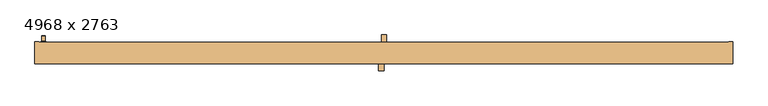
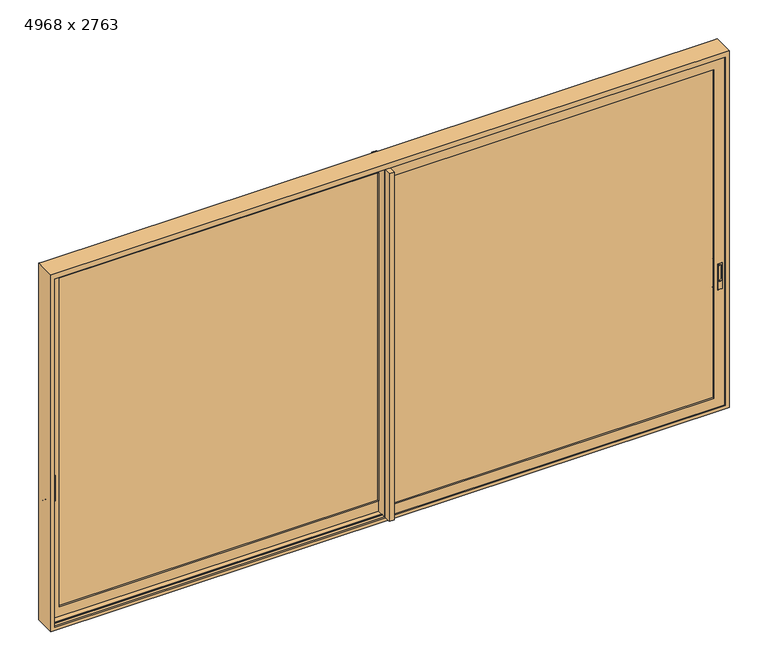
"""IFC4 building model written with IfcOpenShell, lengths in millimetres: door geometry, 4968 x 2763."""

from ifc_helpers import new_model, si_unit, point, frame, frame_2d, origin, place, context, project, spatial, polyline, circle_curve, trimmed, segment, composite_curve, outline, extrude, faceted_brep, source, transform, mapped, element, save
from ifc_brep_helpers import plane_surface, cylinder_surface, revolved_surface, advanced_brep


def door_4968_x_2763_8954526d(model_context):
    return source(origin(), model_context, "Body", "SolidModel", [
        advanced_brep(
        [(-2414.8849701, 59.25, 1100.7), (-2414.8849701, 59.25, 910.0621417), (-2409.8849701, 59.25, 905.0621417), (-2384.8849701, 59.25, 905.0621417), (-2379.8849701, 59.25, 910.0621417), (-2379.8849701, 59.25, 1100.7), (-2384.8849701, 59.25, 1105.7), (-2409.8849701, 59.25, 1105.7), (-2397.3849701, 59.25, 970.1681027), (-2410.4797477, 59.25, 983.2628803), (-2410.4797477, 59.25, 1079.3768243), (-2384.2901925, 59.25, 1079.3768243), (-2384.2901925, 59.25, 983.2628803), (-2414.8849701, 60.25, 1100.7), (-2409.8849701, 60.25, 1105.7), (-2384.8849701, 60.25, 1105.7), (-2379.8849701, 60.25, 1100.7), (-2379.8849701, 60.25, 910.0621417), (-2384.8849701, 60.25, 905.0621417), (-2409.8849701, 60.25, 905.0621417), (-2414.8849701, 60.25, 910.0621417), (-2411.4797477, 60.25, 1079.3768243), (-2411.4797477, 60.25, 983.2628803), (-2397.3849701, 60.25, 969.1681027), (-2383.2901925, 60.25, 983.2628803), (-2383.2901925, 60.25, 1079.3768243), (-2410.4797477, 69.25, 983.2628803), (-2397.3849701, 69.25, 970.1681027), (-2384.2901925, 69.25, 983.2628803), (-2384.2901925, 69.25, 1079.3768243), (-2410.4797477, 69.25, 1079.3768243), (-2411.4797477, 70.25, 1079.3768243), (-2383.2901925, 70.25, 1079.3768243), (-2383.2901925, 70.25, 983.2628803), (-2397.3849701, 70.25, 969.1681027), (-2411.4797477, 70.25, 983.2628803)],
        [
            (0, 1),
            (1, 2, circle_curve(frame((-2409.8849701, 59.25, 910.0621417), z_axis=(0.0, -1.0, 0.0), x_axis=(1.0, 0.0, 0.0)), 5.0)),
            (2, 3),
            (3, 4, circle_curve(frame((-2384.8849701, 59.25, 910.0621417), z_axis=(0.0, -1.0, 0.0), x_axis=(1.0, 0.0, 0.0)), 5.0)),
            (4, 5),
            (5, 6, circle_curve(frame((-2384.8849701, 59.25, 1100.7), z_axis=(0.0, -1.0, 0.0), x_axis=(1.0, 0.0, 0.0)), 5.0)),
            (6, 7),
            (7, 0, circle_curve(frame((-2409.8849701, 59.25, 1100.7), z_axis=(0.0, -1.0, 0.0), x_axis=(1.0, 0.0, 0.0)), 5.0)),
            (8, 9, circle_curve(frame((-2397.3849701, 59.25, 983.2628803), z_axis=(0.0, 1.0, 0.0), x_axis=(1.0, 0.0, 0.0)), 13.0947776)),
            (9, 10),
            (10, 11, circle_curve(frame((-2397.3849701, 59.25, 1079.3768243), z_axis=(0.0, 1.0, 0.0), x_axis=(1.0, 0.0, 0.0)), 13.0947776)),
            (11, 12),
            (12, 8, circle_curve(frame((-2397.3849701, 59.25, 983.2628803), z_axis=(0.0, 1.0, 0.0), x_axis=(1.0, 0.0, 0.0)), 13.0947776)),
            (13, 14, circle_curve(frame((-2409.8849701, 60.25, 1100.7), z_axis=(0.0, 1.0, 0.0), x_axis=(1.0, 0.0, 0.0)), 5.0)),
            (14, 15),
            (15, 16, circle_curve(frame((-2384.8849701, 60.25, 1100.7), z_axis=(0.0, 1.0, 0.0), x_axis=(1.0, 0.0, 0.0)), 5.0)),
            (16, 17),
            (17, 18, circle_curve(frame((-2384.8849701, 60.25, 910.0621417), z_axis=(0.0, 1.0, 0.0), x_axis=(1.0, 0.0, 0.0)), 5.0)),
            (18, 19),
            (19, 20, circle_curve(frame((-2409.8849701, 60.25, 910.0621417), z_axis=(0.0, 1.0, 0.0), x_axis=(1.0, 0.0, 0.0)), 5.0)),
            (20, 13),
            (21, 22),
            (22, 23, circle_curve(frame((-2397.3849701, 60.25, 983.2628803), z_axis=(0.0, -1.0, 0.0), x_axis=(1.0, 0.0, 0.0)), 14.0947776)),
            (23, 24, circle_curve(frame((-2397.3849701, 60.25, 983.2628803), z_axis=(0.0, -1.0, 0.0), x_axis=(1.0, 0.0, 0.0)), 14.0947776)),
            (24, 25),
            (25, 21, circle_curve(frame((-2397.3849701, 60.25, 1079.3768243), z_axis=(0.0, -1.0, 0.0), x_axis=(1.0, 0.0, 0.0)), 14.0947776)),
            (0, 13),
            (20, 1),
            (19, 2),
            (18, 3),
            (17, 4),
            (16, 5),
            (15, 6),
            (14, 7),
            (26, 27, circle_curve(frame((-2397.3849701, 69.25, 983.2628803), z_axis=(0.0, -1.0, 0.0), x_axis=(1.0, 0.0, 0.0)), 13.0947776)),
            (27, 28, circle_curve(frame((-2397.3849701, 69.25, 983.2628803), z_axis=(0.0, -1.0, 0.0), x_axis=(1.0, 0.0, 0.0)), 13.0947776)),
            (28, 29),
            (29, 30, circle_curve(frame((-2397.3849701, 69.25, 1079.3768243), z_axis=(0.0, -1.0, 0.0), x_axis=(1.0, 0.0, 0.0)), 13.0947776)),
            (30, 26),
            (26, 9),
            (8, 27),
            (12, 28),
            (11, 29),
            (10, 30),
            (31, 32, circle_curve(frame((-2397.3849701, 70.25, 1079.3768243), z_axis=(0.0, 1.0, 0.0), x_axis=(1.0, 0.0, 0.0)), 14.0947776)),
            (32, 33),
            (33, 34, circle_curve(frame((-2397.3849701, 70.25, 983.2628803), z_axis=(0.0, 1.0, 0.0), x_axis=(1.0, 0.0, 0.0)), 14.0947776)),
            (34, 35, circle_curve(frame((-2397.3849701, 70.25, 983.2628803), z_axis=(0.0, 1.0, 0.0), x_axis=(1.0, 0.0, 0.0)), 14.0947776)),
            (35, 31),
            (35, 22),
            (21, 31),
            (34, 23),
            (33, 24),
            (32, 25),
        ],
        [
            plane_surface(frame((-2414.8849701, 59.25, 1100.7), z_axis=(0.0, -1.0, 0.0), x_axis=(0.0, 0.0, -1.0))),
            plane_surface(frame((-2414.8849701, 60.25, 1100.7), z_axis=(0.0, 1.0, 0.0), x_axis=(0.0, 0.0, 1.0))),
            plane_surface(frame((-2414.8849701, 59.25, 1100.7), z_axis=(-1.0, 0.0, 0.0), x_axis=(0.0, 1.0, 0.0))),
            cylinder_surface(frame((-2409.8849701, 60.25, 910.0621417), z_axis=(0.0, -1.0, 0.0), x_axis=(1.0, 0.0, 0.0)), 5.0),
            plane_surface(frame((-2409.8849701, 59.25, 905.0621417), z_axis=(0.0, 0.0, -1.0), x_axis=(0.0, 1.0, 0.0))),
            cylinder_surface(frame((-2384.8849701, 60.25, 910.0621417), z_axis=(0.0, -1.0, 0.0), x_axis=(1.0, 0.0, 0.0)), 5.0),
            plane_surface(frame((-2379.8849701, 59.25, 910.0621417), z_axis=(1.0, 0.0, 0.0), x_axis=(0.0, 1.0, 0.0))),
            cylinder_surface(frame((-2384.8849701, 60.25, 1100.7), z_axis=(0.0, -1.0, 0.0), x_axis=(1.0, 0.0, 0.0)), 5.0),
            plane_surface(frame((-2384.8849701, 59.25, 1105.7), z_axis=(0.0, 0.0, 1.0), x_axis=(0.0, 1.0, 0.0))),
            cylinder_surface(frame((-2409.8849701, 60.25, 1100.7), z_axis=(0.0, -1.0, 0.0), x_axis=(1.0, 0.0, 0.0)), 5.0),
            plane_surface(frame((-2384.2901925, 69.25, 983.2628803), z_axis=(0.0, -1.0, 0.0), x_axis=(0.0, 0.0, -1.0))),
            revolved_surface(polyline([(-2384.2901925, 59.25, 983.2628803), (-2384.2901925, 69.25, 983.2628803)]), (-2397.3849701, 69.25, 983.2628803), (0.0, -1.0, 0.0)),
            plane_surface(frame((-2384.2901925, 55.2693201, 983.2628803), z_axis=(-1.0, 0.0, 0.0), x_axis=(0.0, 1.0, 0.0))),
            revolved_surface(polyline([(-2384.2901925, 59.25, 1079.3768243), (-2384.2901925, 69.25, 1079.3768243)]), (-2397.3849701, 69.25, 1079.3768243), (0.0, -1.0, 0.0)),
            plane_surface(frame((-2410.4797477, 55.2693201, 1079.3768243), z_axis=(1.0, 0.0, 0.0), x_axis=(0.0, 1.0, 0.0))),
            plane_surface(frame((-2411.4797477, 70.25, 1079.3768243), z_axis=(0.0, 1.0, 0.0), x_axis=(0.0, 0.0, 1.0))),
            plane_surface(frame((-2411.4797477, 59.25, 1079.3768243), z_axis=(-1.0, 0.0, 0.0), x_axis=(0.0, 1.0, 0.0))),
            cylinder_surface(frame((-2397.3849701, 70.25, 983.2628803), z_axis=(0.0, -1.0, 0.0), x_axis=(1.0, 0.0, 0.0)), 14.0947776),
            plane_surface(frame((-2383.2901925, 59.25, 983.2628803), z_axis=(1.0, 0.0, 0.0), x_axis=(0.0, 1.0, 0.0))),
            cylinder_surface(frame((-2397.3849701, 70.25, 1079.3768243), z_axis=(0.0, -1.0, 0.0), x_axis=(1.0, 0.0, 0.0)), 14.0947776),
        ],
        [
            (0, [[1, 2, 3, 4, 5, 6, 7, 8], [9, 10, 11, 12, 13]]),
            (1, [[14, 15, 16, 17, 18, 19, 20, 21], [22, 23, 24, 25, 26]]),
            (2, [[-1, 27, -21, 28]]),
            (3, [[-2, -28, -20, 29]]),
            (4, [[-3, -29, -19, 30]]),
            (5, [[-4, -30, -18, 31]]),
            (6, [[-5, -31, -17, 32]]),
            (7, [[-6, -32, -16, 33]]),
            (8, [[-7, -33, -15, 34]]),
            (9, [[-8, -34, -14, -27]]),
            (10, [[35, 36, 37, 38, 39]]),
            (11, [[-35, 40, -9, 41]]),
            (11, [[-36, -41, -13, 42]]),
            (12, [[-37, -42, -12, 43]]),
            (13, [[-38, -43, -11, 44]]),
            (14, [[-39, -44, -10, -40]]),
            (15, [[45, 46, 47, 48, 49]]),
            (16, [[-49, 50, -22, 51]]),
            (17, [[-48, 52, -23, -50]]),
            (17, [[-47, 53, -24, -52]]),
            (18, [[-46, 54, -25, -53]]),
            (19, [[-45, -51, -26, -54]]),
        ],
    ),
        advanced_brep(
        [(2428.0125, -19.25, 1100.7), (2428.0125, -19.25, 910.0621417), (2433.0125, -19.25, 905.0621417), (2458.0125, -19.25, 905.0621417), (2463.0125, -19.25, 910.0621417), (2463.0125, -19.25, 1100.7), (2458.0125, -19.25, 1105.7), (2433.0125, -19.25, 1105.7), (2445.5125, -19.25, 970.1681027), (2432.4177224, -19.25, 983.2628803), (2432.4177224, -19.25, 1079.3768243), (2458.6072776, -19.25, 1079.3768243), (2458.6072776, -19.25, 983.2628803), (2428.0125, -18.25, 1100.7), (2433.0125, -18.25, 1105.7), (2458.0125, -18.25, 1105.7), (2463.0125, -18.25, 1100.7), (2463.0125, -18.25, 910.0621417), (2458.0125, -18.25, 905.0621417), (2433.0125, -18.25, 905.0621417), (2428.0125, -18.25, 910.0621417), (2431.4177224, -18.25, 1079.3768243), (2431.4177224, -18.25, 983.2628803), (2445.5125, -18.25, 969.1681027), (2459.6072776, -18.25, 983.2628803), (2459.6072776, -18.25, 1079.3768243), (2432.4177224, -9.25, 983.2628803), (2445.5125, -9.25, 970.1681027), (2458.6072776, -9.25, 983.2628803), (2458.6072776, -9.25, 1079.3768243), (2432.4177224, -9.25, 1079.3768243), (2431.4177224, -8.25, 1079.3768243), (2459.6072776, -8.25, 1079.3768243), (2459.6072776, -8.25, 983.2628803), (2445.5125, -8.25, 969.1681027), (2431.4177224, -8.25, 983.2628803)],
        [
            (0, 1),
            (1, 2, circle_curve(frame((2433.0125, -19.25, 910.0621417), z_axis=(0.0, -1.0, 0.0), x_axis=(1.0, 0.0, 0.0)), 5.0)),
            (2, 3),
            (3, 4, circle_curve(frame((2458.0125, -19.25, 910.0621417), z_axis=(0.0, -1.0, 0.0), x_axis=(1.0, 0.0, 0.0)), 5.0)),
            (4, 5),
            (5, 6, circle_curve(frame((2458.0125, -19.25, 1100.7), z_axis=(0.0, -1.0, 0.0), x_axis=(1.0, 0.0, 0.0)), 5.0)),
            (6, 7),
            (7, 0, circle_curve(frame((2433.0125, -19.25, 1100.7), z_axis=(0.0, -1.0, 0.0), x_axis=(1.0, 0.0, 0.0)), 5.0)),
            (8, 9, circle_curve(frame((2445.5125, -19.25, 983.2628803), z_axis=(0.0, 1.0, 0.0), x_axis=(1.0, 0.0, 0.0)), 13.0947776)),
            (9, 10),
            (10, 11, circle_curve(frame((2445.5125, -19.25, 1079.3768243), z_axis=(0.0, 1.0, 0.0), x_axis=(1.0, 0.0, 0.0)), 13.0947776)),
            (11, 12),
            (12, 8, circle_curve(frame((2445.5125, -19.25, 983.2628803), z_axis=(0.0, 1.0, 0.0), x_axis=(1.0, 0.0, 0.0)), 13.0947776)),
            (13, 14, circle_curve(frame((2433.0125, -18.25, 1100.7), z_axis=(0.0, 1.0, 0.0), x_axis=(1.0, 0.0, 0.0)), 5.0)),
            (14, 15),
            (15, 16, circle_curve(frame((2458.0125, -18.25, 1100.7), z_axis=(0.0, 1.0, 0.0), x_axis=(1.0, 0.0, 0.0)), 5.0)),
            (16, 17),
            (17, 18, circle_curve(frame((2458.0125, -18.25, 910.0621417), z_axis=(0.0, 1.0, 0.0), x_axis=(1.0, 0.0, 0.0)), 5.0)),
            (18, 19),
            (19, 20, circle_curve(frame((2433.0125, -18.25, 910.0621417), z_axis=(0.0, 1.0, 0.0), x_axis=(1.0, 0.0, 0.0)), 5.0)),
            (20, 13),
            (21, 22),
            (22, 23, circle_curve(frame((2445.5125, -18.25, 983.2628803), z_axis=(0.0, -1.0, 0.0), x_axis=(1.0, 0.0, 0.0)), 14.0947776)),
            (23, 24, circle_curve(frame((2445.5125, -18.25, 983.2628803), z_axis=(0.0, -1.0, 0.0), x_axis=(1.0, 0.0, 0.0)), 14.0947776)),
            (24, 25),
            (25, 21, circle_curve(frame((2445.5125, -18.25, 1079.3768243), z_axis=(0.0, -1.0, 0.0), x_axis=(1.0, 0.0, 0.0)), 14.0947776)),
            (0, 13),
            (20, 1),
            (19, 2),
            (18, 3),
            (17, 4),
            (16, 5),
            (15, 6),
            (14, 7),
            (26, 27, circle_curve(frame((2445.5125, -9.25, 983.2628803), z_axis=(0.0, -1.0, 0.0), x_axis=(1.0, 0.0, 0.0)), 13.0947776)),
            (27, 28, circle_curve(frame((2445.5125, -9.25, 983.2628803), z_axis=(0.0, -1.0, 0.0), x_axis=(1.0, 0.0, 0.0)), 13.0947776)),
            (28, 29),
            (29, 30, circle_curve(frame((2445.5125, -9.25, 1079.3768243), z_axis=(0.0, -1.0, 0.0), x_axis=(1.0, 0.0, 0.0)), 13.0947776)),
            (30, 26),
            (26, 9),
            (8, 27),
            (12, 28),
            (11, 29),
            (10, 30),
            (31, 32, circle_curve(frame((2445.5125, -8.25, 1079.3768243), z_axis=(0.0, 1.0, 0.0), x_axis=(1.0, 0.0, 0.0)), 14.0947776)),
            (32, 33),
            (33, 34, circle_curve(frame((2445.5125, -8.25, 983.2628803), z_axis=(0.0, 1.0, 0.0), x_axis=(1.0, 0.0, 0.0)), 14.0947776)),
            (34, 35, circle_curve(frame((2445.5125, -8.25, 983.2628803), z_axis=(0.0, 1.0, 0.0), x_axis=(1.0, 0.0, 0.0)), 14.0947776)),
            (35, 31),
            (35, 22),
            (21, 31),
            (34, 23),
            (33, 24),
            (32, 25),
        ],
        [
            plane_surface(frame((2428.0125, -19.25, 1100.7), z_axis=(0.0, -1.0, 0.0), x_axis=(0.0, 0.0, -1.0))),
            plane_surface(frame((2428.0125, -18.25, 1100.7), z_axis=(0.0, 1.0, 0.0), x_axis=(0.0, 0.0, 1.0))),
            plane_surface(frame((2428.0125, -19.25, 1100.7), z_axis=(-1.0, 0.0, 0.0), x_axis=(0.0, 1.0, 0.0))),
            cylinder_surface(frame((2433.0125, -18.25, 910.0621417), z_axis=(0.0, -1.0, 0.0), x_axis=(1.0, 0.0, 0.0)), 5.0),
            plane_surface(frame((2433.0125, -19.25, 905.0621417), z_axis=(0.0, 0.0, -1.0), x_axis=(0.0, 1.0, 0.0))),
            cylinder_surface(frame((2458.0125, -18.25, 910.0621417), z_axis=(0.0, -1.0, 0.0), x_axis=(1.0, 0.0, 0.0)), 5.0),
            plane_surface(frame((2463.0125, -19.25, 910.0621417), z_axis=(1.0, 0.0, 0.0), x_axis=(0.0, 1.0, 0.0))),
            cylinder_surface(frame((2458.0125, -18.25, 1100.7), z_axis=(0.0, -1.0, 0.0), x_axis=(1.0, 0.0, 0.0)), 5.0),
            plane_surface(frame((2458.0125, -19.25, 1105.7), z_axis=(0.0, 0.0, 1.0), x_axis=(0.0, 1.0, 0.0))),
            cylinder_surface(frame((2433.0125, -18.25, 1100.7), z_axis=(0.0, -1.0, 0.0), x_axis=(1.0, 0.0, 0.0)), 5.0),
            plane_surface(frame((2458.6072776, -9.25, 983.2628803), z_axis=(0.0, -1.0, 0.0), x_axis=(0.0, 0.0, -1.0))),
            revolved_surface(polyline([(2458.6072775999996, -19.25, 983.2628803), (2458.6072775999996, -9.25, 983.2628803)]), (2445.5125, -9.25, 983.2628803), (0.0, -1.0, 0.0)),
            plane_surface(frame((2458.6072776, -23.2306799, 983.2628803), z_axis=(-1.0, 0.0, 0.0), x_axis=(0.0, 1.0, 0.0))),
            revolved_surface(polyline([(2458.6072775999996, -19.25, 1079.3768243), (2458.6072775999996, -9.25, 1079.3768243)]), (2445.5125, -9.25, 1079.3768243), (0.0, -1.0, 0.0)),
            plane_surface(frame((2432.4177224, -23.2306799, 1079.3768243), z_axis=(1.0, 0.0, 0.0), x_axis=(0.0, 1.0, 0.0))),
            plane_surface(frame((2431.4177224, -8.25, 1079.3768243), z_axis=(0.0, 1.0, 0.0), x_axis=(0.0, 0.0, 1.0))),
            plane_surface(frame((2431.4177224, -19.25, 1079.3768243), z_axis=(-1.0, 0.0, 0.0), x_axis=(0.0, 1.0, 0.0))),
            cylinder_surface(frame((2445.5125, -8.25, 983.2628803), z_axis=(0.0, -1.0, 0.0), x_axis=(1.0, 0.0, 0.0)), 14.0947776),
            plane_surface(frame((2459.6072776, -19.25, 983.2628803), z_axis=(1.0, 0.0, 0.0), x_axis=(0.0, 1.0, 0.0))),
            cylinder_surface(frame((2445.5125, -8.25, 1079.3768243), z_axis=(0.0, -1.0, 0.0), x_axis=(1.0, 0.0, 0.0)), 14.0947776),
        ],
        [
            (0, [[1, 2, 3, 4, 5, 6, 7, 8], [9, 10, 11, 12, 13]]),
            (1, [[14, 15, 16, 17, 18, 19, 20, 21], [22, 23, 24, 25, 26]]),
            (2, [[-1, 27, -21, 28]]),
            (3, [[-2, -28, -20, 29]]),
            (4, [[-3, -29, -19, 30]]),
            (5, [[-4, -30, -18, 31]]),
            (6, [[-5, -31, -17, 32]]),
            (7, [[-6, -32, -16, 33]]),
            (8, [[-7, -33, -15, 34]]),
            (9, [[-8, -34, -14, -27]]),
            (10, [[35, 36, 37, 38, 39]]),
            (11, [[-35, 40, -9, 41]]),
            (11, [[-36, -41, -13, 42]]),
            (12, [[-37, -42, -12, 43]]),
            (13, [[-38, -43, -11, 44]]),
            (14, [[-39, -44, -10, -40]]),
            (15, [[45, 46, 47, 48, 49]]),
            (16, [[-49, 50, -22, 51]]),
            (17, [[-48, 52, -23, -50]]),
            (17, [[-47, 53, -24, -52]]),
            (18, [[-46, 54, -25, -53]]),
            (19, [[-45, -51, -26, -54]]),
        ],
    ),
        extrude(outline(composite_curve([segment(polyline([(58.55, 1111.2768015), (96.55, 1111.2768015)]), True, "CONTINUOUS"), segment(trimmed(circle_curve(frame_2d((96.55, 1110.2768015)), 1.0), [point((96.55, 1111.2768015))], [point((97.55, 1110.2768015))], False, "CARTESIAN"), True, "CONTINUOUS"), segment(polyline([(97.55, 1110.2768015), (97.55, 855.762004)]), True, "CONTINUOUS"), segment(trimmed(circle_curve(frame_2d((96.55, 855.762004)), 1.0), [point((97.55, 855.762004))], [point((96.55, 854.762004))], False, "CARTESIAN"), True, "CONTINUOUS"), segment(polyline([(96.55, 854.762004), (86.7932161, 854.762004)]), True, "CONTINUOUS"), segment(trimmed(circle_curve(frame_2d((86.7932161, 855.7988119)), 1.0368079), [point((86.7932161, 854.762004))], [point((85.7564082, 855.7988119))], False, "CARTESIAN"), True, "CONTINUOUS"), segment(polyline([(85.7564082, 855.7988119), (85.7564082, 1073.762004)]), True, "CONTINUOUS"), segment(trimmed(circle_curve(frame_2d((84.7564082, 1073.762004)), 1.0), [point((85.7564082, 1073.762004))], [point((84.7564082, 1074.762004))], True, "CARTESIAN"), True, "CONTINUOUS"), segment(polyline([(84.7564082, 1074.762004), (58.55, 1074.762004), (58.55, 1111.2768015)]), True, "CONTINUOUS")], self_intersect=False)), frame((2432.7072661, 0.0, 0.0), z_axis=(1.0, 0.0, 0.0), x_axis=(0.0, 1.0, 0.0)), (0.0, 0.0, 1.0), 25.6104678),
        extrude(outline(composite_curve([segment(polyline([(1139.6194028, 2429.2625), (987.4634302, 2429.2625)]), True, "CONTINUOUS"), segment(trimmed(circle_curve(frame_2d((987.4634302, 2432.7065275)), 3.4440275), [point((987.4634302, 2429.2625))], [point((984.0194028, 2432.7065275))], False, "CARTESIAN"), True, "CONTINUOUS"), segment(polyline([(984.0194028, 2432.7065275), (984.0194028, 2458.3625)]), True, "CONTINUOUS"), segment(trimmed(circle_curve(frame_2d((987.4194028, 2458.3625)), 3.4), [point((984.0194028, 2458.3625))], [point((987.4194028, 2461.7625))], False, "CARTESIAN"), True, "CONTINUOUS"), segment(polyline([(987.4194028, 2461.7625), (1139.6194028, 2461.7625)]), True, "CONTINUOUS"), segment(trimmed(circle_curve(frame_2d((1139.6194028, 2458.3625)), 3.4), [point((1139.6194028, 2461.7625))], [point((1143.0194028, 2458.3625))], False, "CARTESIAN"), True, "CONTINUOUS"), segment(polyline([(1143.0194028, 2458.3625), (1143.0194028, 2432.6625)]), True, "CONTINUOUS"), segment(trimmed(circle_curve(frame_2d((1139.6194028, 2432.6625)), 3.4), [point((1143.0194028, 2432.6625))], [point((1139.6194028, 2429.2625))], False, "CARTESIAN"), True, "CONTINUOUS")], self_intersect=False)), frame((0.0, 47.75, 0.0), z_axis=(0.0, 1.0, 0.0), x_axis=(0.0, 0.0, 1.0)), (0.0, 0.0, 1.0), 10.8),
        extrude(outline(composite_curve([segment(polyline([(137.05, 1111.2768015), (175.05, 1111.2768015)]), True, "CONTINUOUS"), segment(trimmed(circle_curve(frame_2d((175.05, 1110.2768015)), 1.0), [point((175.05, 1111.2768015))], [point((176.05, 1110.2768015))], False, "CARTESIAN"), True, "CONTINUOUS"), segment(polyline([(176.05, 1110.2768015), (176.05, 855.762004)]), True, "CONTINUOUS"), segment(trimmed(circle_curve(frame_2d((175.05, 855.762004)), 1.0), [point((176.05, 855.762004))], [point((175.05, 854.762004))], False, "CARTESIAN"), True, "CONTINUOUS"), segment(polyline([(175.05, 854.762004), (165.2932161, 854.762004)]), True, "CONTINUOUS"), segment(trimmed(circle_curve(frame_2d((165.2932161, 855.7988119)), 1.0368079), [point((165.2932161, 854.762004))], [point((164.2564082, 855.7988119))], False, "CARTESIAN"), True, "CONTINUOUS"), segment(polyline([(164.2564082, 855.7988119), (164.2564082, 1073.762004)]), True, "CONTINUOUS"), segment(trimmed(circle_curve(frame_2d((163.2564082, 1073.762004)), 1.0), [point((164.2564082, 1073.762004))], [point((163.2564082, 1074.762004))], True, "CARTESIAN"), True, "CONTINUOUS"), segment(polyline([(163.2564082, 1074.762004), (137.05, 1074.762004), (137.05, 1111.2768015)]), True, "CONTINUOUS")], self_intersect=False)), frame((-2410.190204, 0.0, 0.0), z_axis=(1.0, 0.0, 0.0), x_axis=(0.0, 1.0, 0.0)), (0.0, 0.0, 1.0), 25.6104678),
        extrude(outline(composite_curve([segment(polyline([(1139.6194028, -2413.6349701), (987.4634302, -2413.6349701)]), True, "CONTINUOUS"), segment(trimmed(circle_curve(frame_2d((987.4634302, -2410.1909426)), 3.4440275), [point((987.4634302, -2413.6349701))], [point((984.0194028, -2410.1909426))], False, "CARTESIAN"), True, "CONTINUOUS"), segment(polyline([(984.0194028, -2410.1909426), (984.0194028, -2384.5349701)]), True, "CONTINUOUS"), segment(trimmed(circle_curve(frame_2d((987.4194028, -2384.5349701)), 3.4), [point((984.0194028, -2384.5349701))], [point((987.4194028, -2381.1349701))], False, "CARTESIAN"), True, "CONTINUOUS"), segment(polyline([(987.4194028, -2381.1349701), (1139.6194028, -2381.1349701)]), True, "CONTINUOUS"), segment(trimmed(circle_curve(frame_2d((1139.6194028, -2384.5349701)), 3.4), [point((1139.6194028, -2381.1349701))], [point((1143.0194028, -2384.5349701))], False, "CARTESIAN"), True, "CONTINUOUS"), segment(polyline([(1143.0194028, -2384.5349701), (1143.0194028, -2410.2349701)]), True, "CONTINUOUS"), segment(trimmed(circle_curve(frame_2d((1139.6194028, -2410.2349701)), 3.4), [point((1143.0194028, -2410.2349701))], [point((1139.6194028, -2413.6349701))], False, "CARTESIAN"), True, "CONTINUOUS")], self_intersect=False)), frame((0.0, 126.25, 0.0), z_axis=(0.0, 1.0, 0.0), x_axis=(0.0, 0.0, 1.0)), (0.0, 0.0, 1.0), 10.8),
        extrude(outline(polyline([(2415.1158982, -5.562125), (32.3366545, -5.562125), (32.3366545, 35.437875), (2415.1158982, 35.437875), (2415.1158982, -5.562125)])), frame((0.0, 0.0, 59.9841018), z_axis=(0.0, 0.0, 1.0), x_axis=(1.0, 0.0, 0.0)), (0.0, 0.0, 1.0), 2576.0317964),
        extrude(outline(polyline([(5.0366554, 72.937875), (-2362.7158982, 72.937875), (-2362.7158982, 113.9), (5.0366554, 113.9), (5.0366554, 72.937875)])), frame((0.0, 0.0, 59.9841018), z_axis=(0.0, 0.0, 1.0), x_axis=(1.0, 0.0, 0.0)), (0.0, 0.0, 1.0), 2576.0317964),
        faceted_brep([(13.2366545, 51.75, 0.0), (13.2366545, 52.813767, 0.0), (27.9866545, 55.9489763, 0.0), (27.9866545, 60.25, 0.0), (26.2, 60.25, 0.0), (26.2, 126.25, 0.0), (10.0366545, 126.25, 0.0), (10.0366545, 181.25, 0.0), (47.3366545, 181.25, 0.0), (47.3366545, 130.25, 0.0), (45.5366545, 130.25, 0.0), (45.5366545, 126.25, 0.0), (47.3366545, 126.25, 0.0), (47.3366545, 51.75, 0.0), (13.2366545, 52.813767, 2698.0159868), (13.2366545, 51.75, 2698.0159868), (27.9866545, 55.9489763, 2698.0159868), (27.9866545, 60.25, 2698.0159868), (-10.1252895, 113.937875, 2620.8539534), (-10.1252895, 126.25, 2620.8539534), (-10.1252895, 126.25, 75.1460466), (-10.1252895, 113.937875, 75.1460466), (10.0366545, 181.25, 2698.0159868), (10.0366545, 126.25, 2698.0159868), (47.3366545, 181.25, 2698.0159868), (47.3366545, 130.25, 2698.0159868), (45.5366545, 130.25, 2698.0159868), (45.5366545, 126.25, 2698.0159868), (47.3366545, 126.25, 2698.0159868), (47.3366545, 51.75, 2698.0159868), (-9.9633446, 60.25, 2621.0159864), (-9.9633446, 72.937875, 2621.0159864), (-9.9633446, 72.937875, 74.9840136), (-9.9633446, 60.25, 74.9840136), (5.0366554, 113.937875, 2636.0158982), (5.0366554, 113.937875, 59.9841018), (5.0366554, 72.937875, 59.9841018), (5.0366554, 72.937875, 2636.0158982), (26.2, 126.25, -2.0159868), (26.2, 60.25, -2.0159868), (-2347.7159864, 72.937875, 2621.0159864), (-2347.7159864, 60.25, 2621.0159864), (-2362.7158982, 113.937875, 2636.0158982), (-2362.7158982, 72.937875, 2636.0158982), (-2347.5539534, 126.25, 2620.8539534), (-2347.5539534, 113.937875, 2620.8539534), (-2424.7159868, 60.25, 2698.0159868), (-2424.7159868, 126.25, 2698.0159868), (-2347.7159864, 60.25, 74.9840136), (-2347.7159864, 72.937875, 74.9840136), (-2362.7158982, 72.937875, 59.9841018), (-2362.7158982, 113.937875, 59.9841018), (-2347.5539534, 113.937875, 75.1460466), (-2347.5539534, 126.25, 75.1460466), (-2424.7159868, 126.25, -2.0159868), (-2424.7159868, 60.25, -2.0159868), (-2413.5234076, 60.25, 967.3312844), (-2413.5234076, 60.25, 1095.287495), (-2381.3359661, 60.25, 1095.287495), (-2381.3359661, 60.25, 967.3312844), (-2381.3359661, 76.428579, 967.3312844), (-2413.5234076, 76.428579, 967.3312844), (-2381.3359661, 76.428579, 1095.287495), (-2413.5234076, 76.428579, 1095.287495)], [[[0, 1, 2, 3, 4, 5, 6, 7, 8, 9, 10, 11, 12, 13]], [[14, 1, 0, 15]], [[16, 2, 1, 14]], [[17, 3, 2, 16]], [[18, 19, 20, 21]], [[22, 7, 6, 23]], [[24, 8, 7, 22]], [[25, 9, 8, 24]], [[26, 10, 9, 25]], [[27, 11, 10, 26]], [[28, 12, 11, 27]], [[29, 13, 12, 28]], [[15, 0, 13, 29]], [[30, 31, 32, 33]], [[34, 35, 36, 37]], [[38, 5, 4, 39]], [[40, 31, 30, 41]], [[42, 34, 37, 43]], [[44, 19, 18, 45]], [[46, 17, 16, 14, 15, 29, 28, 27, 26, 25, 24, 22, 23, 47]], [[41, 48, 49, 40]], [[43, 50, 51, 42]], [[45, 52, 53, 44]], [[47, 54, 55, 46]], [[55, 39, 4, 3, 17, 46], [41, 30, 33, 48], [56, 57, 58, 59]], [[48, 33, 32, 49]], [[43, 37, 36, 50], [49, 32, 31, 40]], [[50, 36, 35, 51]], [[51, 35, 34, 42], [45, 18, 21, 52]], [[52, 21, 20, 53]], [[47, 23, 6, 5, 38, 54], [53, 20, 19, 44]], [[39, 55, 54, 38]], [[60, 61, 56, 59]], [[62, 58, 57, 63]], [[59, 58, 62, 60]], [[61, 63, 57, 56]], [[60, 62, 63, 61]]]),
        faceted_brep([(26.2, 47.75, 2698.0159868), (26.2, 47.75, 2693.0159868), (26.2, -18.25, 2693.0159868), (26.2, -18.25, 2698.0159868), (2400.1159864, -18.25, 2621.0159864), (47.3366545, -18.25, 2621.0159864), (47.3366545, -5.562125, 2621.0159864), (2400.1159864, -5.562125, 2621.0159864), (32.3366545, -5.562125, 2636.0158982), (32.3366545, 35.437875, 2636.0158982), (2415.1158982, 35.437875, 2636.0158982), (2415.1158982, -5.562125, 2636.0158982), (2399.9539534, 35.437875, 2620.8539534), (47.4985994, 35.437875, 2620.8539534), (47.4985994, 47.75, 2620.8539534), (2399.9539534, 47.75, 2620.8539534), (2477.1159868, -18.25, 2698.0159868), (2477.1159868, 47.75, 2698.0159868), (2400.1159864, -5.562125, 74.9840136), (2400.1159864, -18.25, 74.9840136), (2415.1158982, 35.437875, 59.9841018), (2415.1158982, -5.562125, 59.9841018), (2399.9539534, 47.75, 75.1460466), (2399.9539534, 35.437875, 75.1460466), (2477.1159868, -18.25, -2.0159868), (2477.1159868, 47.75, -2.0159868), (27.3366554, -18.25, 2693.0159868), (27.3366554, -18.25, -2.0159868), (47.3366545, -18.25, 74.9840136), (2429.4187792, -18.25, 967.3312844), (2429.4187792, -18.25, 1095.287495), (2461.6062208, -18.25, 1095.287495), (2461.6062208, -18.25, 967.3312844), (47.3366545, -5.562125, 74.9840136), (32.3366545, -5.562125, 59.9841018), (32.3366545, 35.437875, 59.9841018), (47.4985994, 35.437875, 75.1460466), (47.4985994, 47.75, 75.1460466), (9.3866554, 47.75, -2.0159868), (9.3866554, 47.75, 2693.0159868), (2429.2399053, 47.75, 1099.6808297), (2429.2399053, 47.75, 965.4048654), (2461.9528508, 47.75, 965.4048654), (2461.9528508, 47.75, 1099.6808297), (27.3366554, -72.75, -2.0159868), (-9.9633446, -72.75, -2.0159868), (-9.9633446, -21.75, -2.0159868), (-8.1633446, -21.75, -2.0159868), (-8.1633446, -17.75, -2.0159868), (-9.9633446, -17.75, -2.0159868), (-9.9633446, 56.75, -2.0159868), (24.0406112, 56.75, -2.0159868), (24.0406112, 55.6658182, -2.0159868), (9.3866554, 52.5510237, -2.0159868), (27.3366554, -72.75, 2693.0159868), (9.3866554, 52.5510237, 2693.0159868), (24.0406112, 55.6658182, 2693.0159868), (24.0406112, 56.75, 2693.0159868), (-9.9633446, 56.75, 2693.0159868), (-9.9633446, -17.75, 2693.0159868), (-8.1633446, -17.75, 2693.0159868), (-8.1633446, -21.75, 2693.0159868), (-9.9633446, -21.75, 2693.0159868), (-9.9633446, -72.75, 2693.0159868), (2461.9528508, 35.7697807, 1099.6808297), (2429.2399053, 35.7697807, 1099.6808297), (2429.2399053, 35.7697807, 965.4048654), (2461.9528508, 35.7697807, 965.4048654), (2429.4187792, -2.071421, 967.3312844), (2461.6062208, -2.071421, 967.3312844), (2429.4187792, -2.071421, 1095.287495), (2461.6062208, -2.071421, 1095.287495)], [[[0, 1, 2, 3]], [[4, 5, 6, 7]], [[8, 9, 10, 11]], [[12, 13, 14, 15]], [[3, 16, 17, 0]], [[7, 18, 19, 4]], [[10, 20, 21, 11]], [[15, 22, 23, 12]], [[16, 24, 25, 17]], [[3, 2, 26, 27, 24, 16], [4, 19, 28, 5], [29, 30, 31, 32]], [[18, 33, 28, 19]], [[21, 34, 8, 11], [7, 6, 33, 18]], [[35, 34, 21, 20]], [[10, 9, 35, 20], [12, 23, 36, 13]], [[22, 37, 36, 23]], [[17, 25, 38, 39, 1, 0], [22, 15, 14, 37], [40, 41, 42, 43]], [[27, 44, 45, 46, 47, 48, 49, 50, 51, 52, 53, 38, 25, 24]], [[54, 26, 2, 1, 39, 55, 56, 57, 58, 59, 60, 61, 62, 63]], [[63, 45, 44, 54]], [[62, 46, 45, 63]], [[61, 47, 46, 62]], [[60, 48, 47, 61]], [[59, 49, 48, 60]], [[58, 50, 49, 59]], [[57, 51, 50, 58]], [[56, 52, 51, 57]], [[55, 53, 52, 56]], [[39, 38, 53, 55]], [[36, 37, 14, 13]], [[34, 35, 9, 8]], [[28, 33, 6, 5]], [[54, 44, 27, 26]], [[40, 43, 64, 65]], [[42, 41, 66, 67]], [[43, 42, 67, 64]], [[64, 67, 66, 65]], [[65, 66, 41, 40]], [[68, 29, 32, 69]], [[70, 71, 31, 30]], [[68, 70, 30, 29]], [[32, 31, 71, 69]], [[69, 71, 70, 68]]]),
        extrude(outline(polyline([(-2429.2, 67.3486495), (-2429.2, 77.75), (-2411.8, 77.75), (-2411.8, 73.45), (-2424.7159868, 73.45), (-2424.7159868, 67.3486495), (-2429.2, 67.3486495)])), frame((0.0, 0.0, -2.0159868), z_axis=(0.0, 0.0, 1.0), x_axis=(1.0, 0.0, 0.0)), (0.0, 0.0, 1.0), 2700.0319737),
        extrude(outline(polyline([(-2429.2, 119.1486495), (-2424.7159868, 119.1486495), (-2424.7159868, 113.047299), (-2411.8, 113.047299), (-2411.8, 108.7472991), (-2429.2, 108.7472991), (-2429.2, 119.1486495)])), frame((0.0, 0.0, -2.0159868), z_axis=(0.0, 0.0, 1.0), x_axis=(1.0, 0.0, 0.0)), (0.0, 0.0, 1.0), 2700.0319737),
        extrude(outline(polyline([(2481.6, -10.6513505), (2477.1159868, -10.6513505), (2477.1159868, -4.55), (2464.2, -4.55), (2464.2, -0.25), (2481.6, -0.25), (2481.6, -10.6513505)])), frame((0.0, 0.0, -2.0159868), z_axis=(0.0, 0.0, 1.0), x_axis=(1.0, 0.0, 0.0)), (0.0, 0.0, 1.0), 2700.0319737),
        extrude(outline(polyline([(2481.6, 41.1908107), (2481.6, 30.7894602), (2464.2, 30.7894602), (2464.2, 35.0894602), (2477.1159868, 35.0894602), (2477.1159868, 41.1908107), (2481.6, 41.1908107)])), frame((0.0, 0.0, -2.0159868), z_axis=(0.0, 0.0, 1.0), x_axis=(1.0, 0.0, 0.0)), (0.0, 0.0, 1.0), 2700.0319737),
        advanced_brep(
        [(-2457.8, 131.25, 2732.0), (-2457.8, -22.75, 2732.0), (2510.2, -22.75, 2732.0), (2510.2, 131.25, 2732.0), (2481.6, 131.25, 2732.0), (2481.6, 130.25, 2732.0), (-2429.2, 130.25, 2732.0), (-2429.2, 131.25, 2732.0), (-2429.2, 131.25, -31.0), (-2429.2, 130.25, -31.0), (2481.6, 130.25, -31.0), (2481.6, 131.25, -31.0), (2510.2, 131.25, -31.0), (2510.2, -22.75, -31.0), (-2457.8, -22.75, -31.0), (-2457.8, 131.25, -31.0), (-2429.2, -22.75, -7.0148685), (-2429.2, -22.75, 2693.0159868), (2481.6, -22.75, 2693.0159868), (2481.6, -22.75, -7.0148685), (-2429.2, 130.25, 2706.0159868), (-2429.2, 128.25, 2706.0159868), (-2429.2, 128.25, 2712.0159868), (-2429.2, 103.95, 2712.0159868), (-2429.2, 103.95, 2700.1290667), (-2429.2, 107.75, 2697.2655613), (-2429.2, 107.75, 2694.524631), (-2429.2, 103.65, 2688.0159868), (-2429.2, 101.75, 2688.0159868), (-2429.2, 101.75, 2704.2159868), (-2429.2, 83.75, 2704.2159868), (-2429.2, 83.75, 2688.0159868), (-2429.2, 81.85, 2688.0159868), (-2429.2, 77.75, 2694.524631), (-2429.2, 77.75, 2704.2159868), (-2429.2, 59.55, 2704.2159868), (-2429.2, 59.55, 2698.0187566), (-2429.2, 29.75, 2698.0187566), (-2429.2, 29.75, 2694.5159868), (-2429.2, 25.95, 2689.0890244), (-2429.2, 25.95, 2688.0159868), (-2429.2, 23.75, 2688.0159868), (-2429.2, 23.75, 2704.2159868), (-2429.2, 5.75, 2704.2159868), (-2429.2, 5.75, 2688.0159868), (-2429.2, 3.85, 2688.0159868), (-2429.2, -0.25, 2694.524631), (-2429.2, -0.25, 2712.0159868), (-2429.2, -20.75, 2712.0159868), (-2429.2, -20.75, 2693.0159868), (-2429.2, -11.15, -6.0), (-2429.2, 12.2265787, -6.0), (-2429.2, 12.2265787, -2.4767803), (-2429.2, 17.2265787, -2.4767803), (-2429.2, 17.2265787, -6.0), (-2429.2, 90.2734213, -6.0), (-2429.2, 90.2734213, -2.4767803), (-2429.2, 95.2734213, -2.4767803), (-2429.2, 95.2734213, -6.0), (-2429.2, 128.45, -6.0), (-2429.2, 128.45, 0.0), (-2429.2, 130.25, 0.0), (2481.6, 130.25, 0.0), (2481.6, 128.45, 0.0), (2481.6, 128.45, -6.0), (2481.6, 95.2734213, -6.0), (2481.6, 95.2734213, -2.4767803), (2481.6, 90.2734213, -2.4767803), (2481.6, 90.2734213, -6.0), (2481.6, 17.2265787, -6.0), (2481.6, 17.2265787, -2.4767803), (2481.6, 12.2265787, -2.4767803), (2481.6, 12.2265787, -6.0), (2481.6, -11.15, -6.0), (2481.6, -20.75, 2693.0159868), (2481.6, -20.75, 2712.0159868), (2481.6, -0.25, 2712.0159868), (2481.6, -0.25, 2694.524631), (2481.6, 3.85, 2688.0159868), (2481.6, 5.75, 2688.0159868), (2481.6, 5.75, 2704.2159868), (2481.6, 23.75, 2704.2159868), (2481.6, 23.75, 2688.0159868), (2481.6, 25.95, 2688.0159868), (2481.6, 25.95, 2689.0890244), (2481.6, 29.75, 2694.5159868), (2481.6, 29.75, 2698.0187566), (2481.6, 59.55, 2698.0187566), (2481.6, 59.55, 2704.2159868), (2481.6, 77.75, 2704.2159868), (2481.6, 77.75, 2694.524631), (2481.6, 81.85, 2688.0159868), (2481.6, 83.75, 2688.0159868), (2481.6, 83.75, 2704.2159868), (2481.6, 101.75, 2704.2159868), (2481.6, 101.75, 2688.0159868), (2481.6, 103.65, 2688.0159868), (2481.6, 107.75, 2694.524631), (2481.6, 107.75, 2697.2655613), (2481.6, 103.95, 2700.1290667), (2481.6, 103.95, 2712.0159868), (2481.6, 128.25, 2712.0159868), (2481.6, 128.25, 2706.0159868), (2481.6, 130.25, 2706.0159868)],
        [
            (0, 1),
            (1, 2),
            (2, 3),
            (3, 4),
            (4, 5),
            (5, 6),
            (6, 7),
            (7, 0),
            (8, 9),
            (9, 10),
            (10, 11),
            (11, 12),
            (12, 13),
            (13, 14),
            (14, 15),
            (15, 8),
            (1, 14),
            (13, 2),
            (16, 17),
            (17, 18),
            (18, 19),
            (19, 16),
            (0, 15),
            (7, 8),
            (6, 20),
            (20, 21),
            (21, 22),
            (22, 23),
            (23, 24),
            (24, 25),
            (25, 26),
            (26, 27),
            (27, 28),
            (28, 29),
            (29, 30),
            (30, 31),
            (31, 32),
            (32, 33),
            (33, 34),
            (34, 35),
            (35, 36),
            (36, 37),
            (37, 38),
            (38, 39),
            (39, 40),
            (40, 41),
            (41, 42),
            (42, 43),
            (43, 44),
            (44, 45),
            (45, 46),
            (46, 47),
            (47, 48),
            (48, 49),
            (49, 17),
            (16, 50),
            (50, 51),
            (51, 52),
            (52, 53, circle_curve(frame((-2429.2, 14.7265787, -2.4767803), z_axis=(-1.0, 0.0, 0.0), x_axis=(0.0, -1.0, 0.0)), 2.5)),
            (53, 54),
            (54, 55),
            (55, 56),
            (56, 57, circle_curve(frame((-2429.2, 92.7734213, -2.4767803), z_axis=(-1.0, 0.0, 0.0), x_axis=(0.0, -1.0, 0.0)), 2.5)),
            (57, 58),
            (58, 59),
            (59, 60),
            (60, 61),
            (61, 9),
            (10, 62),
            (62, 63),
            (63, 64),
            (64, 65),
            (65, 66),
            (66, 67, circle_curve(frame((2481.6, 92.7734213, -2.4767803), z_axis=(1.0, 0.0, 0.0), x_axis=(0.0, -1.0, 0.0)), 2.5)),
            (67, 68),
            (68, 69),
            (69, 70),
            (70, 71, circle_curve(frame((2481.6, 14.7265787, -2.4767803), z_axis=(1.0, 0.0, 0.0), x_axis=(0.0, -1.0, 0.0)), 2.5)),
            (71, 72),
            (72, 73),
            (73, 19),
            (18, 74),
            (74, 75),
            (75, 76),
            (76, 77),
            (77, 78),
            (78, 79),
            (79, 80),
            (80, 81),
            (81, 82),
            (82, 83),
            (83, 84),
            (84, 85),
            (85, 86),
            (86, 87),
            (87, 88),
            (88, 89),
            (89, 90),
            (90, 91),
            (91, 92),
            (92, 93),
            (93, 94),
            (94, 95),
            (95, 96),
            (96, 97),
            (97, 98),
            (98, 99),
            (99, 100),
            (100, 101),
            (101, 102),
            (102, 103),
            (103, 5),
            (4, 11),
            (3, 12),
            (103, 20),
            (102, 21),
            (101, 22),
            (100, 23),
            (99, 24),
            (98, 25),
            (97, 26),
            (96, 27),
            (95, 28),
            (94, 29),
            (93, 30),
            (92, 31),
            (91, 32),
            (90, 33),
            (89, 34),
            (88, 35),
            (87, 36),
            (86, 37),
            (85, 38),
            (84, 39),
            (83, 40),
            (82, 41),
            (81, 42),
            (80, 43),
            (79, 44),
            (78, 45),
            (77, 46),
            (76, 47),
            (75, 48),
            (74, 49),
            (73, 50),
            (72, 51),
            (71, 52),
            (70, 53),
            (69, 54),
            (68, 55),
            (67, 56),
            (66, 57),
            (65, 58),
            (64, 59),
            (63, 60),
            (62, 61),
        ],
        [
            plane_surface(frame((-2457.8, -22.75, 2732.0), z_axis=(0.0, 0.0, 1.0), x_axis=(-1.0, 0.0, 0.0))),
            plane_surface(frame((-2457.8, -22.75, -31.0), z_axis=(0.0, 0.0, -1.0), x_axis=(1.0, 0.0, 0.0))),
            plane_surface(frame((-2429.2, -22.75, 2732.0), z_axis=(0.0, -1.0, 0.0), x_axis=(0.0, 0.0, -1.0))),
            plane_surface(frame((-2457.8, -22.75, 2732.0), z_axis=(-1.0, 0.0, 0.0), x_axis=(0.0, 0.0, -1.0))),
            plane_surface(frame((-2457.8, 131.25, 2732.0), z_axis=(0.0, 1.0, 0.0), x_axis=(0.0, 0.0, -1.0))),
            plane_surface(frame((-2429.2, 131.25, 2732.0), z_axis=(1.0, 0.0, 0.0), x_axis=(0.0, 0.0, -1.0))),
            plane_surface(frame((2481.6, -22.75, 2732.0), z_axis=(-1.0, 0.0, 0.0), x_axis=(0.0, 0.0, -1.0))),
            plane_surface(frame((2481.6, 131.25, 2732.0), z_axis=(0.0, 1.0, 0.0), x_axis=(0.0, 0.0, -1.0))),
            plane_surface(frame((2510.2, 131.25, 2732.0), z_axis=(1.0, 0.0, 0.0), x_axis=(0.0, 0.0, -1.0))),
            plane_surface(frame((2510.2, 130.25, 2732.0), z_axis=(0.0, 1.0, 0.0), x_axis=(-1.0, 0.0, 0.0))),
            plane_surface(frame((2510.2, 130.25, 2706.0159868), z_axis=(0.0, 0.0, -1.0), x_axis=(-1.0, 0.0, 0.0))),
            plane_surface(frame((2510.2, 128.25, 2706.0159868), z_axis=(0.0, -1.0, 0.0), x_axis=(-1.0, 0.0, 0.0))),
            plane_surface(frame((2510.2, 128.25, 2712.0159868), z_axis=(0.0, 0.0, -1.0), x_axis=(-1.0, 0.0, 0.0))),
            plane_surface(frame((2510.2, 103.95, 2712.0159868), z_axis=(0.0, 1.0, 0.0), x_axis=(-1.0, 0.0, 0.0))),
            plane_surface(frame((2510.2, 103.95, 2700.1290667), z_axis=(0.0, 0.6018150231514546, 0.7986355100477402), x_axis=(-1.0, 0.0, 0.0))),
            plane_surface(frame((2510.2, 107.75, 2697.2655613), z_axis=(0.0, 1.0, 0.0), x_axis=(-1.0, 0.0, 0.0))),
            plane_surface(frame((2510.2, 107.75, 2694.524631), z_axis=(0.0, 0.8461176546357573, -0.5329961674474644), x_axis=(-1.0, 0.0, 0.0))),
            plane_surface(frame((2510.2, 103.65, 2688.0159868), z_axis=(0.0, 0.0, -1.0), x_axis=(-1.0, 0.0, 0.0))),
            plane_surface(frame((2510.2, 101.75, 2688.0159868), z_axis=(0.0, -1.0, 0.0), x_axis=(-1.0, 0.0, 0.0))),
            plane_surface(frame((2510.2, 101.75, 2704.2159868), z_axis=(0.0, 0.0, -1.0), x_axis=(-1.0, 0.0, 0.0))),
            plane_surface(frame((2510.2, 83.75, 2704.2159868), z_axis=(0.0, 1.0, 0.0), x_axis=(-1.0, 0.0, 0.0))),
            plane_surface(frame((2510.2, 83.75, 2688.0159868), z_axis=(0.0, 0.0, -1.0), x_axis=(-1.0, 0.0, 0.0))),
            plane_surface(frame((2510.2, 81.85, 2688.0159868), z_axis=(0.0, -0.846117654640233, -0.5329961674403593), x_axis=(-1.0, 0.0, 0.0))),
            plane_surface(frame((2510.2, 77.75, 2694.524631), z_axis=(0.0, -1.0, 0.0), x_axis=(-1.0, 0.0, 0.0))),
            plane_surface(frame((2510.2, 77.75, 2704.2159868), z_axis=(0.0, 0.0, -1.0), x_axis=(-1.0, 0.0, 0.0))),
            plane_surface(frame((2510.2, 59.55, 2704.2159868), z_axis=(0.0, 1.0, 0.0), x_axis=(-1.0, 0.0, 0.0))),
            plane_surface(frame((2510.2, 59.55, 2698.0187566), z_axis=(0.0, 0.0, -1.0), x_axis=(-1.0, 0.0, 0.0))),
            plane_surface(frame((2510.2, 29.75, 2698.0187566), z_axis=(0.0, 1.0, 0.0), x_axis=(-1.0, 0.0, 0.0))),
            plane_surface(frame((2510.2, 29.75, 2694.5159868), z_axis=(0.0, 0.8191520442892566, -0.5735764363506679), x_axis=(-1.0, 0.0, 0.0))),
            plane_surface(frame((2510.2, 25.95, 2689.0890244), z_axis=(0.0, 1.0, 0.0), x_axis=(-1.0, 0.0, 0.0))),
            plane_surface(frame((2510.2, 25.95, 2688.0159868), z_axis=(0.0, 0.0, -1.0), x_axis=(-1.0, 0.0, 0.0))),
            plane_surface(frame((2510.2, 23.75, 2688.0159868), z_axis=(0.0, -1.0, 0.0), x_axis=(-1.0, 0.0, 0.0))),
            plane_surface(frame((2510.2, 23.75, 2704.2159868), z_axis=(0.0, 0.0, -1.0), x_axis=(-1.0, 0.0, 0.0))),
            plane_surface(frame((2510.2, 5.75, 2704.2159868), z_axis=(0.0, 1.0, 0.0), x_axis=(-1.0, 0.0, 0.0))),
            plane_surface(frame((2510.2, 5.75, 2688.0159868), z_axis=(0.0, 0.0, -1.0), x_axis=(-1.0, 0.0, 0.0))),
            plane_surface(frame((2510.2, 3.85, 2688.0159868), z_axis=(0.0, -0.8461176546360692, -0.532996167446969), x_axis=(-1.0, 0.0, 0.0))),
            plane_surface(frame((2510.2, -0.25, 2694.524631), z_axis=(0.0, -1.0, 0.0), x_axis=(-1.0, 0.0, 0.0))),
            plane_surface(frame((2510.2, -0.25, 2712.0159868), z_axis=(0.0, 0.0, -1.0), x_axis=(-1.0, 0.0, 0.0))),
            plane_surface(frame((2510.2, -20.75, 2712.0159868), z_axis=(0.0, 1.0, 0.0), x_axis=(-1.0, 0.0, 0.0))),
            plane_surface(frame((2510.2, -20.75, 2693.0159868), z_axis=(0.0, 0.0, -1.0), x_axis=(-1.0, 0.0, 0.0))),
            plane_surface(frame((2510.2, -22.75, -7.0148685), z_axis=(0.0, -0.08715574274810715, 0.9961946980917062), x_axis=(-1.0, 0.0, 0.0))),
            plane_surface(frame((2510.2, -11.15, -6.0), z_axis=(0.0, 0.0, 1.0), x_axis=(-1.0, 0.0, 0.0))),
            plane_surface(frame((2510.2, 12.2265787, -6.0), z_axis=(0.0, -1.0, 0.0), x_axis=(-1.0, 0.0, 0.0))),
            cylinder_surface(frame((26.2, 14.7265787, -2.4767803), z_axis=(1.0, 0.0, 0.0), x_axis=(0.0, -1.0, 0.0)), 2.5),
            plane_surface(frame((2510.2, 17.2265787, -2.4767803), z_axis=(0.0, 1.0, 0.0), x_axis=(-1.0, 0.0, 0.0))),
            plane_surface(frame((2510.2, 17.2265787, -6.0), z_axis=(0.0, 0.0, 1.0), x_axis=(-1.0, 0.0, 0.0))),
            plane_surface(frame((2510.2, 90.2734213, -6.0), z_axis=(0.0, -1.0, 0.0), x_axis=(-1.0, 0.0, 0.0))),
            cylinder_surface(frame((26.2, 92.7734213, -2.4767803), z_axis=(1.0, 0.0, 0.0), x_axis=(0.0, -1.0, 0.0)), 2.5),
            plane_surface(frame((2510.2, 95.2734213, -2.4767803), z_axis=(0.0, 1.0, 0.0), x_axis=(-1.0, 0.0, 0.0))),
            plane_surface(frame((2510.2, 95.2734213, -6.0), z_axis=(0.0, 0.0, 1.0), x_axis=(-1.0, 0.0, 0.0))),
            plane_surface(frame((2510.2, 128.45, -6.0), z_axis=(0.0, -1.0, 0.0), x_axis=(-1.0, 0.0, 0.0))),
            plane_surface(frame((2510.2, 128.45, 0.0), z_axis=(0.0, 0.0, 1.0), x_axis=(-1.0, 0.0, 0.0))),
            plane_surface(frame((2510.2, 130.25, 0.0), z_axis=(0.0, 1.0, 0.0), x_axis=(-1.0, 0.0, 0.0))),
        ],
        [
            (0, [[1, 2, 3, 4, 5, 6, 7, 8]]),
            (1, [[9, 10, 11, 12, 13, 14, 15, 16]]),
            (2, [[17, -14, 18, -2], [19, 20, 21, 22]]),
            (3, [[-1, 23, -15, -17]]),
            (4, [[24, -16, -23, -8]]),
            (5, [[-7, 25, 26, 27, 28, 29, 30, 31, 32, 33, 34, 35, 36, 37, 38, 39, 40, 41, 42, 43, 44, 45, 46, 47, 48, 49, 50, 51, 52, 53, 54, 55, -19, 56, 57, 58, 59, 60, 61, 62, 63, 64, 65, 66, 67, 68, -9, -24]]),
            (6, [[-11, 69, 70, 71, 72, 73, 74, 75, 76, 77, 78, 79, 80, 81, -21, 82, 83, 84, 85, 86, 87, 88, 89, 90, 91, 92, 93, 94, 95, 96, 97, 98, 99, 100, 101, 102, 103, 104, 105, 106, 107, 108, 109, 110, 111, 112, -5, 113]]),
            (7, [[114, -12, -113, -4]]),
            (8, [[-13, -114, -3, -18]]),
            (9, [[-112, 115, -25, -6]]),
            (10, [[-111, 116, -26, -115]]),
            (11, [[-110, 117, -27, -116]]),
            (12, [[-109, 118, -28, -117]]),
            (13, [[-108, 119, -29, -118]]),
            (14, [[-107, 120, -30, -119]]),
            (15, [[-106, 121, -31, -120]]),
            (16, [[-105, 122, -32, -121]]),
            (17, [[-104, 123, -33, -122]]),
            (18, [[-103, 124, -34, -123]]),
            (19, [[-102, 125, -35, -124]]),
            (20, [[-101, 126, -36, -125]]),
            (21, [[-100, 127, -37, -126]]),
            (22, [[-99, 128, -38, -127]]),
            (23, [[-98, 129, -39, -128]]),
            (24, [[-97, 130, -40, -129]]),
            (25, [[-96, 131, -41, -130]]),
            (26, [[-95, 132, -42, -131]]),
            (27, [[-94, 133, -43, -132]]),
            (28, [[-93, 134, -44, -133]]),
            (29, [[-92, 135, -45, -134]]),
            (30, [[-91, 136, -46, -135]]),
            (31, [[-90, 137, -47, -136]]),
            (32, [[-89, 138, -48, -137]]),
            (33, [[-88, 139, -49, -138]]),
            (34, [[-87, 140, -50, -139]]),
            (35, [[-86, 141, -51, -140]]),
            (36, [[-85, 142, -52, -141]]),
            (37, [[-84, 143, -53, -142]]),
            (38, [[-83, 144, -54, -143]]),
            (39, [[-55, -144, -82, -20]]),
            (40, [[-81, 145, -56, -22]]),
            (41, [[-80, 146, -57, -145]]),
            (42, [[-79, 147, -58, -146]]),
            (43, [[-78, 148, -59, -147]]),
            (44, [[-77, 149, -60, -148]]),
            (45, [[-76, 150, -61, -149]]),
            (46, [[-75, 151, -62, -150]]),
            (47, [[-74, 152, -63, -151]]),
            (48, [[-73, 153, -64, -152]]),
            (49, [[-72, 154, -65, -153]]),
            (50, [[-71, 155, -66, -154]]),
            (51, [[-70, 156, -67, -155]]),
            (52, [[-68, -156, -69, -10]]),
        ],
    ),
    ])


if __name__ == "__main__":
    model = new_model("IFC4")
    model_context = context("Model", 3, world=origin())
    ifc_project = project(units=[si_unit("LENGTHUNIT", "METRE", prefix="MILLI")], contexts=[model_context])
    site = spatial("IfcSite", under=ifc_project)
    building = spatial("IfcBuilding", under=site)
    placement = place(None, origin())
    door_4968_x_2763_shape = door_4968_x_2763_8954526d(model_context)
    element("IfcDoor", 1, ObjectType="4968 x 2763", at=placement, inside=building, context=model_context, shape_type="MappedRepresentation", body=[
        mapped(door_4968_x_2763_shape, transform((0.0, 0.0, 0.0), x_axis=(1.0, 0.0, 0.0), y_axis=(0.0, 1.0, 0.0), z_axis=(0.0, 0.0, 1.0))),
    ])
    save(model, "model.ifc")
